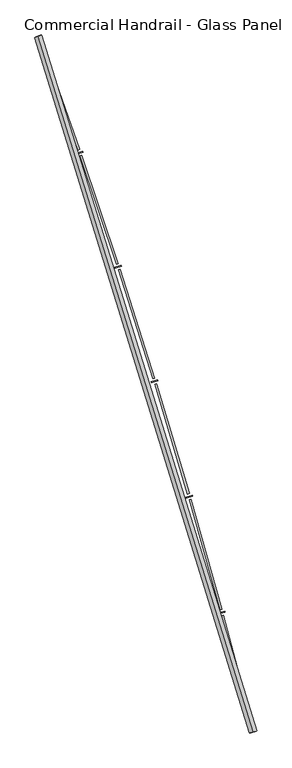
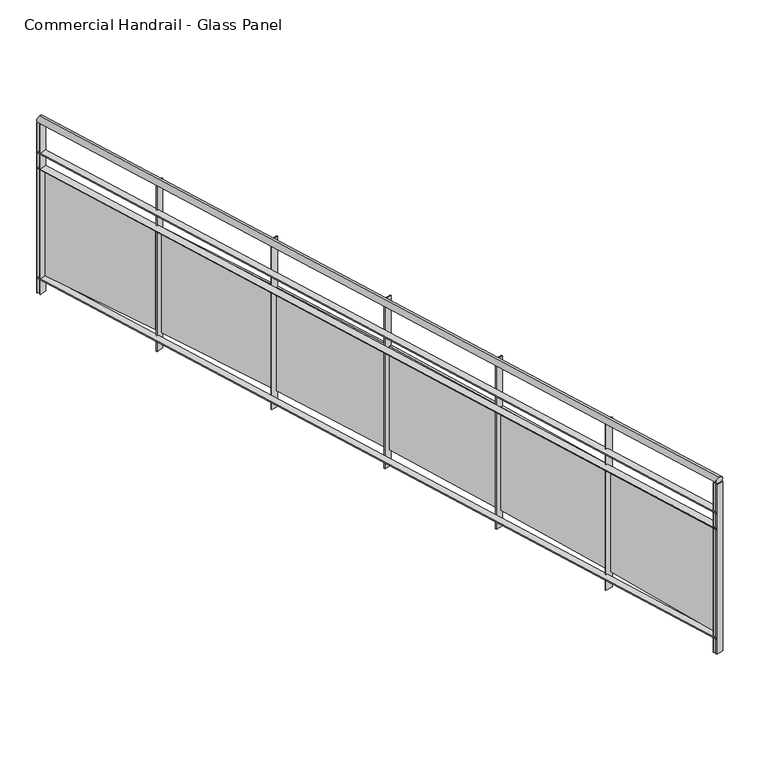
"""IFC4 building model written with IfcOpenShell, lengths in millimetres: railing geometry, Commercial Handrail - Glass Panel."""

from ifc_helpers import new_model, si_unit, point, frame, origin, place, context, project, spatial, polyline, circle_curve, ellipse_curve, trimmed, outline, extrude, source, transform, mapped, element, save
from ifc_brep_helpers import plane_surface, cylinder_surface, revolved_surface, advanced_brep


def commercial_handrail_glass_panel_fd65ca14(model_context):
    return source(origin(), model_context, "Body", "SolidModel", [
        advanced_brep(
        [(180775.6028582, -41782.2225015, 33282.5), (179346.0628414, -37160.8311359, 33282.5), (179346.0628414, -37160.8311359, 33317.5), (180775.6028582, -41782.2225015, 33317.5)],
        [
            (0, 1, circle_curve(frame((134505.1876621, -53563.3040857, 33282.5), z_axis=(0.0, 0.0, 1.0), x_axis=(0.9391412678699065, 0.3435311906999195, 0.0)), 47746.6774311)),
            (1, 2, ellipse_curve(frame((179346.0628414, -37160.8311359, 33300.0), z_axis=(0.34353119069991334, -0.9391412678699089, 0.0), x_axis=(-0.9391412678699087, -0.3435311906999133, 0.0)), 25.0, 17.5)),
            (2, 3, circle_curve(frame((134505.1876621, -53563.3040857, 33317.5), z_axis=(0.0, 0.0, -1.0), x_axis=(0.9391412678699065, 0.3435311906999195, 0.0)), 47746.6774311)),
            (3, 0, ellipse_curve(frame((180775.6028582, -41782.2225015, 33300.0), z_axis=(-0.24674139056469252, 0.969081362003316, 0.0), x_axis=(-0.969081362003316, -0.24674139056469252, 0.0)), 25.0, 17.5)),
            (2, 1, ellipse_curve(frame((179346.0628414, -37160.8311359, 33300.0), z_axis=(0.34353119069991334, -0.9391412678699089, 0.0), x_axis=(-0.9391412678699087, -0.3435311906999133, 0.0)), 25.0, 17.5)),
            (0, 3, ellipse_curve(frame((180775.6028582, -41782.2225015, 33300.0), z_axis=(-0.24674139056469252, 0.969081362003316, 0.0), x_axis=(-0.969081362003316, -0.24674139056469252, 0.0)), 25.0, 17.5)),
        ],
        [
            revolved_surface(trimmed(ellipse_curve(frame((179346.0628414, -37160.8311359, 33300.0), z_axis=(-0.3435311906999195, 0.9391412678699065, 0.0), x_axis=(0.0, 0.0, -1.0)), 17.5, 25.0), [point((179346.0628414, -37160.8311359, 33317.5))], [point((179346.0628414, -37160.8311359, 33282.5))], True, "CARTESIAN"), (134505.1876621, -53563.3040857, 33300.0), (0.0, 0.0, -1.0)),
            revolved_surface(trimmed(ellipse_curve(frame((179346.0628414, -37160.8311359, 33300.0), z_axis=(-0.3435311906999195, 0.9391412678699065, 0.0), x_axis=(0.0, 0.0, -1.0)), 17.5, 25.0), [point((179346.0628414, -37160.8311359, 33282.5))], [point((179346.0628414, -37160.8311359, 33317.5))], True, "CARTESIAN"), (134505.1876621, -53563.3040857, 33300.0), (0.0, 0.0, -1.0)),
            plane_surface(frame((179346.0628414, -37160.8311359, 33300.0), z_axis=(-0.3435311906999195, 0.9391412678699065, 0.0), x_axis=(0.9391412678699065, 0.3435311906999195, 0.0))),
            plane_surface(frame((180775.6028582, -41782.2225015, 33300.0), z_axis=(0.24674139056469271, -0.9690813620033158, 0.0), x_axis=(0.9690813620033158, 0.24674139056469271, 0.0))),
        ],
        [
            (0, [[1, 2, 3, 4]]),
            (1, [[-3, 5, -1, 6]]),
            (2, [[-2, -5]]),
            (3, [[-6, -4]]),
        ],
    ),
        advanced_brep(
        [(180797.4071889, -41776.6708203, 33100.0), (179367.1935199, -37153.1016841, 33100.0), (179324.9321629, -37168.5605877, 33100.0), (180753.7985276, -41787.7741828, 33100.0), (180797.4071889, -41776.6708203, 33094.0), (179367.1935199, -37153.1016841, 33094.0), (180753.7985276, -41787.7741828, 33094.0), (179324.9321629, -37168.5605877, 33094.0)],
        [
            (0, 1, circle_curve(frame((134505.1876621, -53563.3040857, 33100.0), z_axis=(0.0, 0.0, 1.0), x_axis=(0.9391412678699065, 0.3435311906999195, 0.0)), 47769.1774311)),
            (1, 2),
            (2, 3, circle_curve(frame((134505.1876621, -53563.3040857, 33100.0), z_axis=(0.0, 0.0, -1.0), x_axis=(0.9391412678699065, 0.3435311906999195, 0.0)), 47724.1774311)),
            (3, 0),
            (4, 5, circle_curve(frame((134505.1876621, -53563.3040857, 33094.0), z_axis=(0.0, 0.0, 1.0), x_axis=(0.9391412678699065, 0.3435311906999195, 0.0)), 47769.1774311)),
            (5, 1),
            (0, 4),
            (6, 7, circle_curve(frame((134505.1876621, -53563.3040857, 33094.0), z_axis=(0.0, 0.0, 1.0), x_axis=(0.9391412678699065, 0.3435311906999195, 0.0)), 47724.1774311)),
            (7, 5),
            (4, 6),
            (2, 7),
            (6, 3),
        ],
        [
            plane_surface(frame((134505.1876621, -53563.3040857, 33100.0), z_axis=(0.0, 0.0, 1.0), x_axis=(0.9391412678699065, 0.3435311906999195, 0.0))),
            cylinder_surface(frame((134505.1876621, -53563.3040857, 33100.0), z_axis=(0.0, 0.0, -1.0), x_axis=(0.9391412678699065, 0.3435311906999195, 0.0)), 47769.1774311),
            plane_surface(frame((134505.1876621, -53563.3040857, 33094.0), z_axis=(0.0, 0.0, -1.0), x_axis=(0.9391412678699065, 0.3435311906999195, 0.0))),
            revolved_surface(polyline([(179324.93216279164, -37168.56058762, 33094.0), (179324.93216279164, -37168.56058762, 33100.0)]), (134505.1876621, -53563.3040857, 33100.0), (0.0, 0.0, -1.0)),
            plane_surface(frame((179346.0628414, -37160.8311359, 33100.0), z_axis=(-0.3435311906999195, 0.9391412678699065, 0.0), x_axis=(0.9391412678699065, 0.3435311906999195, 0.0))),
            plane_surface(frame((180775.6028582, -41782.2225015, 33100.0), z_axis=(0.24674139056469271, -0.9690813620033158, 0.0), x_axis=(0.9690813620033158, 0.24674139056469271, 0.0))),
        ],
        [
            (0, [[1, 2, 3, 4]]),
            (1, [[5, 6, -1, 7]]),
            (2, [[8, 9, -5, 10]]),
            (3, [[-3, 11, -8, 12]]),
            (4, [[-2, -6, -9, -11]]),
            (5, [[-12, -10, -7, -4]]),
        ],
    ),
        advanced_brep(
        [(180797.4071889, -41776.6708203, 33000.0), (179367.1935199, -37153.1016841, 33000.0), (179324.9321629, -37168.5605877, 33000.0), (180753.7985276, -41787.7741828, 33000.0), (180797.4071889, -41776.6708203, 32994.0), (179367.1935199, -37153.1016841, 32994.0), (180753.7985276, -41787.7741828, 32994.0), (179324.9321629, -37168.5605877, 32994.0)],
        [
            (0, 1, circle_curve(frame((134505.1876621, -53563.3040857, 33000.0), z_axis=(0.0, 0.0, 1.0), x_axis=(0.9391412678699065, 0.3435311906999195, 0.0)), 47769.1774311)),
            (1, 2),
            (2, 3, circle_curve(frame((134505.1876621, -53563.3040857, 33000.0), z_axis=(0.0, 0.0, -1.0), x_axis=(0.9391412678699065, 0.3435311906999195, 0.0)), 47724.1774311)),
            (3, 0),
            (4, 5, circle_curve(frame((134505.1876621, -53563.3040857, 32994.0), z_axis=(0.0, 0.0, 1.0), x_axis=(0.9391412678699065, 0.3435311906999195, 0.0)), 47769.1774311)),
            (5, 1),
            (0, 4),
            (6, 7, circle_curve(frame((134505.1876621, -53563.3040857, 32994.0), z_axis=(0.0, 0.0, 1.0), x_axis=(0.9391412678699065, 0.3435311906999195, 0.0)), 47724.1774311)),
            (7, 5),
            (4, 6),
            (2, 7),
            (6, 3),
        ],
        [
            plane_surface(frame((134505.1876621, -53563.3040857, 33000.0), z_axis=(0.0, 0.0, 1.0), x_axis=(0.9391412678699065, 0.3435311906999195, 0.0))),
            cylinder_surface(frame((134505.1876621, -53563.3040857, 33000.0), z_axis=(0.0, 0.0, -1.0), x_axis=(0.9391412678699065, 0.3435311906999195, 0.0)), 47769.1774311),
            plane_surface(frame((134505.1876621, -53563.3040857, 32994.0), z_axis=(0.0, 0.0, -1.0), x_axis=(0.9391412678699065, 0.3435311906999195, 0.0))),
            revolved_surface(polyline([(179324.93216279164, -37168.56058762, 32994.0), (179324.93216279164, -37168.56058762, 33000.0)]), (134505.1876621, -53563.3040857, 33000.0), (0.0, 0.0, -1.0)),
            plane_surface(frame((179346.0628414, -37160.8311359, 33000.0), z_axis=(-0.3435311906999195, 0.9391412678699065, 0.0), x_axis=(0.9391412678699065, 0.3435311906999195, 0.0))),
            plane_surface(frame((180775.6028582, -41782.2225015, 33000.0), z_axis=(0.24674139056469271, -0.9690813620033158, 0.0), x_axis=(0.9690813620033158, 0.24674139056469271, 0.0))),
        ],
        [
            (0, [[1, 2, 3, 4]]),
            (1, [[5, 6, -1, 7]]),
            (2, [[8, 9, -5, 10]]),
            (3, [[-3, 11, -8, 12]]),
            (4, [[-2, -6, -9, -11]]),
            (5, [[-12, -10, -7, -4]]),
        ],
    ),
        advanced_brep(
        [(180797.4071889, -41776.6708203, 32300.0), (179367.1935199, -37153.1016841, 32300.0), (179324.9321629, -37168.5605877, 32300.0), (180753.7985276, -41787.7741828, 32300.0), (180797.4071889, -41776.6708203, 32294.0), (179367.1935199, -37153.1016841, 32294.0), (180753.7985276, -41787.7741828, 32294.0), (179324.9321629, -37168.5605877, 32294.0)],
        [
            (0, 1, circle_curve(frame((134505.1876621, -53563.3040857, 32300.0), z_axis=(0.0, 0.0, 1.0), x_axis=(0.9391412678699065, 0.3435311906999195, 0.0)), 47769.1774311)),
            (1, 2),
            (2, 3, circle_curve(frame((134505.1876621, -53563.3040857, 32300.0), z_axis=(0.0, 0.0, -1.0), x_axis=(0.9391412678699065, 0.3435311906999195, 0.0)), 47724.1774311)),
            (3, 0),
            (4, 5, circle_curve(frame((134505.1876621, -53563.3040857, 32294.0), z_axis=(0.0, 0.0, 1.0), x_axis=(0.9391412678699065, 0.3435311906999195, 0.0)), 47769.1774311)),
            (5, 1),
            (0, 4),
            (6, 7, circle_curve(frame((134505.1876621, -53563.3040857, 32294.0), z_axis=(0.0, 0.0, 1.0), x_axis=(0.9391412678699065, 0.3435311906999195, 0.0)), 47724.1774311)),
            (7, 5),
            (4, 6),
            (2, 7),
            (6, 3),
        ],
        [
            plane_surface(frame((134505.1876621, -53563.3040857, 32300.0), z_axis=(0.0, 0.0, 1.0), x_axis=(0.9391412678699065, 0.3435311906999195, 0.0))),
            cylinder_surface(frame((134505.1876621, -53563.3040857, 32300.0), z_axis=(0.0, 0.0, -1.0), x_axis=(0.9391412678699065, 0.3435311906999195, 0.0)), 47769.1774311),
            plane_surface(frame((134505.1876621, -53563.3040857, 32294.0), z_axis=(0.0, 0.0, -1.0), x_axis=(0.9391412678699065, 0.3435311906999195, 0.0))),
            revolved_surface(polyline([(179324.93216279164, -37168.56058762, 32294.0), (179324.93216279164, -37168.56058762, 32300.0)]), (134505.1876621, -53563.3040857, 32300.0), (0.0, 0.0, -1.0)),
            plane_surface(frame((179346.0628414, -37160.8311359, 32300.0), z_axis=(-0.3435311906999195, 0.9391412678699065, 0.0), x_axis=(0.9391412678699065, 0.3435311906999195, 0.0))),
            plane_surface(frame((180775.6028582, -41782.2225015, 32300.0), z_axis=(0.24674139056469271, -0.9690813620033158, 0.0), x_axis=(0.9690813620033158, 0.24674139056469271, 0.0))),
        ],
        [
            (0, [[1, 2, 3, 4]]),
            (1, [[5, 6, -1, 7]]),
            (2, [[8, 9, -5, 10]]),
            (3, [[-3, 11, -8, 12]]),
            (4, [[-2, -6, -9, -11]]),
            (5, [[-12, -10, -7, -4]]),
        ],
    ),
        extrude(outline(polyline([(180748.1806794, -41765.7315693), (180791.7847427, -41754.6101634), (180793.2675968, -41760.4240385), (180749.6635336, -41771.5454444), (180748.1806794, -41765.7315693)])), frame((0.0, 0.0, 32200.0), z_axis=(0.0, 0.0, 1.0), x_axis=(1.0, 0.0, 0.0)), (0.0, 0.0, 1.0), 1082.1192282),
        extrude(outline(polyline([(180579.0506002, -41006.960836), (180773.041554, -41741.7856518), (180761.4390569, -41744.8486668), (180567.4481031, -41010.0238511), (180579.0506002, -41006.960836)])), frame((0.0, 0.0, 32320.0), z_axis=(0.0, 0.0, 1.0), x_axis=(1.0, 0.0, 0.0)), (0.0, 0.0, 1.0), 660.0),
        extrude(outline(polyline([(180544.0296903, -40992.6181386), (180587.4413017, -40980.7677378), (180589.0213551, -40986.5559526), (180545.6097438, -40998.4063534), (180544.0296903, -40992.6181386)])), frame((0.0, 0.0, 32200.0), z_axis=(0.0, 0.0, 1.0), x_axis=(1.0, 0.0, 0.0)), (0.0, 0.0, 1.0), 1082.1192282),
        extrude(outline(polyline([(180362.2106717, -40236.7875664), (180568.485878, -40968.2590554), (180556.9363282, -40971.5160323), (180350.6611219, -40240.0445433), (180362.2106717, -40236.7875664)])), frame((0.0, 0.0, 32320.0), z_axis=(0.0, 0.0, 1.0), x_axis=(1.0, 0.0, 0.0)), (0.0, 0.0, 1.0), 660.0),
        extrude(outline(polyline([(180326.9543755, -40223.0336333), (180370.1613482, -40210.4575643), (180371.8381574, -40216.218494), (180328.6311847, -40228.794563), (180326.9543755, -40223.0336333)])), frame((0.0, 0.0, 32200.0), z_axis=(0.0, 0.0, 1.0), x_axis=(1.0, 0.0, 0.0)), (0.0, 0.0, 1.0), 1082.1192282),
        extrude(outline(polyline([(180132.4974589, -39470.3554039), (180350.9990108, -40198.2682227), (180339.5056505, -40201.7182472), (180121.0040986, -39473.8054284), (180132.4974589, -39470.3554039)])), frame((0.0, 0.0, 32320.0), z_axis=(0.0, 0.0, 1.0), x_axis=(1.0, 0.0, 0.0)), (0.0, 0.0, 1.0), 660.0),
        extrude(outline(polyline([(180097.0156738, -39457.1940962), (180140.0058784, -39443.8958894), (180141.7789726, -39449.6279167), (180098.788768, -39462.9261235), (180097.0156738, -39457.1940962)])), frame((0.0, 0.0, 32200.0), z_axis=(0.0, 0.0, 1.0), x_axis=(1.0, 0.0, 0.0)), (0.0, 0.0, 1.0), 1082.1192282),
        extrude(outline(polyline([(179889.9754484, -38707.8795063), (180120.6420068, -39432.0293105), (180109.2080625, -39435.6714141), (179878.5415042, -38711.5216099), (179889.9754484, -38707.8795063)])), frame((0.0, 0.0, 32320.0), z_axis=(0.0, 0.0, 1.0), x_axis=(1.0, 0.0, 0.0)), (0.0, 0.0, 1.0), 660.0),
        extrude(outline(polyline([(179854.278135, -38695.3145188), (179897.0395032, -38681.2979075), (179898.9083847, -38686.9994232), (179856.1470165, -38701.0160346), (179854.278135, -38695.3145188)])), frame((0.0, 0.0, 32200.0), z_axis=(0.0, 0.0, 1.0), x_axis=(1.0, 0.0, 0.0)), (0.0, 0.0, 1.0), 1082.1192282),
        extrude(outline(polyline([(179634.7127226, -37949.5739211), (179877.4795332, -38669.7574225), (179866.1082147, -38673.5905826), (179623.3414042, -37953.4070812), (179634.7127226, -37949.5739211)])), frame((0.0, 0.0, 32320.0), z_axis=(0.0, 0.0, 1.0), x_axis=(1.0, 0.0, 0.0)), (0.0, 0.0, 1.0), 660.0),
        extrude(outline(polyline([(179598.8099021, -37937.608781), (179641.3304295, -37922.8776999), (179643.2945737, -37928.5471036), (179600.7740463, -37943.2781847), (179598.8099021, -37937.608781)])), frame((0.0, 0.0, 32200.0), z_axis=(0.0, 0.0, 1.0), x_axis=(1.0, 0.0, 0.0)), (0.0, 0.0, 1.0), 1082.1192282),
        extrude(outline(polyline([(179366.7809405, -37195.6515245), (179621.5798522, -37911.6665486), (179610.2743518, -37915.6896893), (179355.4754402, -37199.6746652), (179366.7809405, -37195.6515245)])), frame((0.0, 0.0, 32320.0), z_axis=(0.0, 0.0, 1.0), x_axis=(1.0, 0.0, 0.0)), (0.0, 0.0, 1.0), 660.0),
        extrude(outline(polyline([(179330.6826918, -37184.2895909), (179372.9504418, -37168.8481755), (179375.0092972, -37174.4838755), (179332.7415472, -37189.9252909), (179330.6826918, -37184.2895909)])), frame((0.0, 0.0, 32200.0), z_axis=(0.0, 0.0, 1.0), x_axis=(1.0, 0.0, 0.0)), (0.0, 0.0, 1.0), 1082.1192282),
        extrude(outline(polyline([(180753.0583034, -41784.8669387), (180796.6669647, -41773.7635762), (180798.147413, -41779.5780643), (180754.5387518, -41790.6814269), (180753.0583034, -41784.8669387)])), frame((0.0, 0.0, 32200.0), z_axis=(0.0, 0.0, 1.0), x_axis=(1.0, 0.0, 0.0)), (0.0, 0.0, 1.0), 1082.1192282),
        extrude(outline(polyline([(179323.9015693, -37165.7431638), (179366.1629263, -37150.2842603), (179368.2241135, -37155.9191079), (179325.9627564, -37171.3780115), (179323.9015693, -37165.7431638)])), frame((0.0, 0.0, 32200.0), z_axis=(0.0, 0.0, 1.0), x_axis=(1.0, 0.0, 0.0)), (0.0, 0.0, 1.0), 1082.1192282),
    ])


if __name__ == "__main__":
    model = new_model("IFC4")
    model_context = context("Model", 3, world=origin())
    ifc_project = project(units=[si_unit("LENGTHUNIT", "METRE", prefix="MILLI")], contexts=[model_context])
    site = spatial("IfcSite", under=ifc_project)
    building = spatial("IfcBuilding", under=site)
    placement = place(None, origin())
    commercial_handrail_glass_panel_shape = commercial_handrail_glass_panel_fd65ca14(model_context)
    element("IfcRailing", 1, ObjectType="Commercial Handrail - Glass Panel", at=placement, inside=building, context=model_context, shape_type="MappedRepresentation", body=[
        mapped(commercial_handrail_glass_panel_shape, transform((0.0, 0.0, 0.0), x_axis=(1.0, 0.0, 0.0), y_axis=(0.0, 1.0, 0.0), z_axis=(0.0, 0.0, 1.0))),
    ])
    save(model, "model.ifc")
